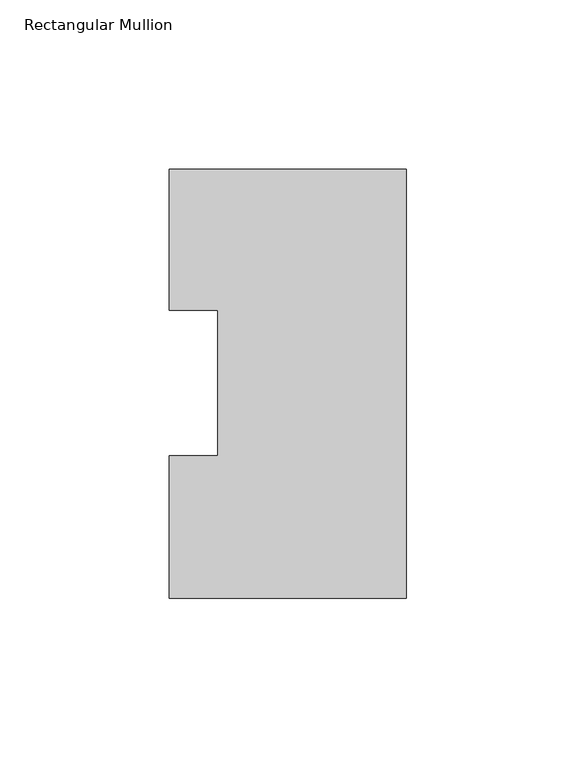
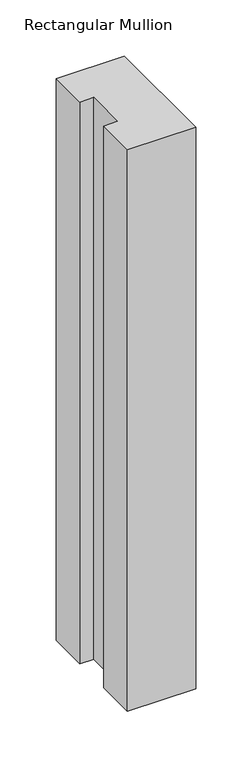
"""IFC4 building model written with IfcOpenShell, lengths in millimetres: member geometry, Rectangular Mullion."""

from ifc_helpers import new_model, si_unit, frame, origin, place, context, project, spatial, polyline, outline, extrude, source, transform, mapped, element, save


def rectangular_mullion_51ae0a78(model_context):
    return source(origin(), model_context, "Body", "SweptSolid", [
        extrude(outline(polyline([(-55.5625, 91.7773438), (-69.85, 91.7773438), (-69.85, 133.3825438), (0.0, 133.3825438), (0.0, 6.8905438), (-69.85, 6.8905438), (-69.85, 48.9275438), (-55.5625, 48.9275438), (-55.5625, 91.7773438)])), frame((0.0, 0.0, -609.6), z_axis=(0.0, 0.0, 1.0), x_axis=(1.0, 0.0, 0.0)), (0.0, 0.0, 1.0), 609.6),
    ])


if __name__ == "__main__":
    model = new_model("IFC4")
    model_context = context("Model", 3, world=origin())
    ifc_project = project(units=[si_unit("LENGTHUNIT", "METRE", prefix="MILLI")], contexts=[model_context])
    site = spatial("IfcSite", under=ifc_project)
    building = spatial("IfcBuilding", under=site)
    placement = place(None, origin())
    rectangular_mullion_shape = rectangular_mullion_51ae0a78(model_context)
    element("IfcMember", 1, ObjectType="Rectangular Mullion", at=placement, inside=building, context=model_context, shape_type="MappedRepresentation", body=[
        mapped(rectangular_mullion_shape, transform((0.0, 0.0, 0.0), x_axis=(1.0, 0.0, 0.0), y_axis=(0.0, 1.0, 0.0), z_axis=(0.0, 0.0, 1.0))),
    ])
    save(model, "model.ifc")
